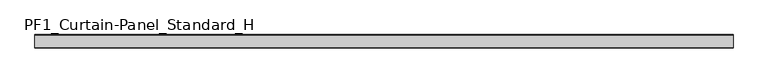
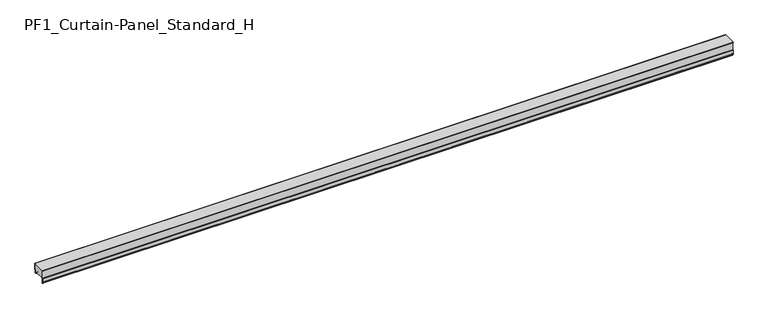
"""IFC4 building model written with IfcOpenShell, lengths in millimetres: plate geometry, PF1_Curtain-Panel_Standard_H."""

from ifc_helpers import new_model, si_unit, point, frame, frame_2d, origin, place, context, project, spatial, polyline, circle_curve, trimmed, segment, composite_curve, outline, extrude, source, transform, mapped, element, save


def pf1_curtain_panel_standard_h_a35a4b40(model_context):
    return source(origin(), model_context, "Body", "SweptSolid", [
        extrude(outline(composite_curve([segment(polyline([(-15.878557, 0.0), (-20.0, 0.0), (-20.0, 0.8), (-15.878557, 0.8)]), True, "CONTINUOUS"), segment(trimmed(circle_curve(frame_2d((-15.878557, -2.0)), 2.8), [point((-15.878557, 0.8))], [point((-13.1503208, -1.370137))], False, "CARTESIAN"), True, "CONTINUOUS"), segment(polyline([(-13.1503208, -1.370137), (-11.728236, -7.529863)]), True, "CONTINUOUS"), segment(trimmed(circle_curve(frame_2d((-9.0, -6.9)), 2.8), [point((-11.728236, -7.529863))], [point((-6.2, -6.9))], True, "CARTESIAN"), True, "CONTINUOUS"), segment(polyline([(-6.2, -6.9), (-6.2, 8.6)]), True, "CONTINUOUS"), segment(trimmed(circle_curve(frame_2d((-3.4, 8.6)), 2.8), [point((-6.2, 8.6))], [point((-3.4, 11.4))], False, "CARTESIAN"), True, "CONTINUOUS"), segment(polyline([(-3.4, 11.4), (-2.0, 11.4)]), True, "CONTINUOUS"), segment(trimmed(circle_curve(frame_2d((-2.0, 12.6)), 1.2), [point((-2.0, 11.4))], [point((-0.8, 12.6))], True, "CARTESIAN"), True, "CONTINUOUS"), segment(polyline([(-0.8, 12.6), (-0.8, 50.0), (0.0, 50.0), (0.0, 12.6)]), True, "CONTINUOUS"), segment(trimmed(circle_curve(frame_2d((-2.0, 12.6)), 2.0), [point((0.0, 12.6))], [point((-2.0, 10.6))], False, "CARTESIAN"), True, "CONTINUOUS"), segment(polyline([(-2.0, 10.6), (-3.4, 10.6)]), True, "CONTINUOUS"), segment(trimmed(circle_curve(frame_2d((-3.4, 8.6)), 2.0), [point((-3.4, 10.6))], [point((-5.4, 8.6))], True, "CARTESIAN"), True, "CONTINUOUS"), segment(polyline([(-5.4, 8.6), (-5.4, -6.9)]), True, "CONTINUOUS"), segment(trimmed(circle_curve(frame_2d((-9.0, -6.9)), 3.6), [point((-5.4, -6.9))], [point((-12.5077322, -7.7098239))], False, "CARTESIAN"), True, "CONTINUOUS"), segment(polyline([(-12.5077322, -7.7098239), (-13.929817, -1.5500979)]), True, "CONTINUOUS"), segment(trimmed(circle_curve(frame_2d((-15.878557, -2.0)), 2.0), [point((-13.929817, -1.5500979))], [point((-15.878557, 0.0))], True, "CARTESIAN"), True, "CONTINUOUS")], self_intersect=False)), frame((-2100.0, 0.0, 0.0), z_axis=(1.0, 0.0, 0.0), x_axis=(0.0, 1.0, 0.0)), (0.0, 0.0, 1.0), 4200.0),
        extrude(outline(composite_curve([segment(polyline([(-70.0, 0.0), (-73.5, 0.0)]), True, "CONTINUOUS"), segment(trimmed(circle_curve(frame_2d((-73.5, -2.0)), 2.0), [point((-73.5, 0.0))], [point((-75.5, -2.0))], True, "CARTESIAN"), True, "CONTINUOUS"), segment(polyline([(-75.5, -2.0), (-75.5, -33.0)]), True, "CONTINUOUS"), segment(trimmed(circle_curve(frame_2d((-76.5, -33.0)), 1.0), [point((-75.5, -33.0))], [point((-77.5, -33.0))], False, "CARTESIAN"), True, "CONTINUOUS"), segment(polyline([(-77.5, -33.0), (-77.5, -26.9)]), True, "CONTINUOUS"), segment(trimmed(circle_curve(frame_2d((-78.4, -26.9)), 0.9), [point((-77.5, -26.9))], [point((-78.4, -26.0))], True, "CARTESIAN"), True, "CONTINUOUS"), segment(trimmed(circle_curve(frame_2d((-78.4, -24.4)), 1.6), [point((-78.4, -26.0))], [point((-80.0, -24.4))], False, "CARTESIAN"), True, "CONTINUOUS"), segment(polyline([(-80.0, -24.4), (-80.0, -0.9952559), (-78.5, 1.6028217), (-78.5, 46.4028193), (-80.0, 49.0008969), (-80.0, 50.0), (-79.2, 50.0), (-79.2, 49.2152562), (-77.7, 46.6171786), (-77.7, 1.3884624), (-79.2, -1.2096152), (-79.2, -24.4)]), True, "CONTINUOUS"), segment(trimmed(circle_curve(frame_2d((-78.4, -24.4)), 0.8), [point((-79.2, -24.4))], [point((-78.4, -25.2))], True, "CARTESIAN"), True, "CONTINUOUS"), segment(trimmed(circle_curve(frame_2d((-78.6133333, -26.9)), 1.7133333), [point((-78.4, -25.2))], [point((-76.9, -26.9))], False, "CARTESIAN"), True, "CONTINUOUS"), segment(polyline([(-76.9, -26.9), (-76.9, -32.8700312)]), True, "CONTINUOUS"), segment(trimmed(circle_curve(frame_2d((-76.6, -32.8700312)), 0.3), [point((-76.9, -32.8700312))], [point((-76.3, -32.8700312))], True, "CARTESIAN"), True, "CONTINUOUS"), segment(polyline([(-76.3, -32.8700312), (-76.3, -2.0)]), True, "CONTINUOUS"), segment(trimmed(circle_curve(frame_2d((-73.5, -2.0)), 2.8), [point((-76.3, -2.0))], [point((-73.5, 0.8))], False, "CARTESIAN"), True, "CONTINUOUS"), segment(polyline([(-73.5, 0.8), (-70.0, 0.8), (-70.0, 0.0)]), True, "CONTINUOUS")], self_intersect=False)), frame((-2100.0, 0.0, 0.0), z_axis=(1.0, 0.0, 0.0), x_axis=(0.0, 1.0, 0.0)), (0.0, 0.0, 1.0), 4200.0),
        extrude(outline(composite_curve([segment(polyline([(-70.0, 0.8), (-73.5, 0.8)]), True, "CONTINUOUS"), segment(trimmed(circle_curve(frame_2d((-73.5, -2.0)), 2.8), [point((-73.5, 0.8))], [point((-76.3, -2.0))], True, "CARTESIAN"), True, "CONTINUOUS"), segment(polyline([(-76.3, -2.0), (-76.3, -32.8700312)]), True, "CONTINUOUS"), segment(trimmed(circle_curve(frame_2d((-76.6, -32.8700312)), 0.3), [point((-76.3, -32.8700312))], [point((-76.9, -32.8700312))], False, "CARTESIAN"), True, "CONTINUOUS"), segment(polyline([(-76.9, -32.8700312), (-76.9, -26.9)]), True, "CONTINUOUS"), segment(trimmed(circle_curve(frame_2d((-78.6133333, -26.9)), 1.7133333), [point((-76.9, -26.9))], [point((-78.4, -25.2))], True, "CARTESIAN"), True, "CONTINUOUS"), segment(trimmed(circle_curve(frame_2d((-78.4, -24.4)), 0.8), [point((-78.4, -25.2))], [point((-79.2, -24.4))], False, "CARTESIAN"), True, "CONTINUOUS"), segment(polyline([(-79.2, -24.4), (-79.2, -1.2096152), (-77.7, 1.3884624), (-77.7, 46.6171786), (-79.2, 49.2152562), (-79.2, 50.0), (-0.8, 50.0), (-0.8, 12.6)]), True, "CONTINUOUS"), segment(trimmed(circle_curve(frame_2d((-2.0, 12.6)), 1.2), [point((-0.8, 12.6))], [point((-2.0, 11.4))], False, "CARTESIAN"), True, "CONTINUOUS"), segment(polyline([(-2.0, 11.4), (-3.4, 11.4)]), True, "CONTINUOUS"), segment(trimmed(circle_curve(frame_2d((-3.4, 8.6)), 2.8), [point((-3.4, 11.4))], [point((-6.2, 8.6))], True, "CARTESIAN"), True, "CONTINUOUS"), segment(polyline([(-6.2, 8.6), (-6.2, -6.9)]), True, "CONTINUOUS"), segment(trimmed(circle_curve(frame_2d((-9.0, -6.9)), 2.8), [point((-6.2, -6.9))], [point((-11.7282362, -7.529863))], False, "CARTESIAN"), True, "CONTINUOUS"), segment(polyline([(-11.7282362, -7.529863), (-13.1503208, -1.370137)]), True, "CONTINUOUS"), segment(trimmed(circle_curve(frame_2d((-15.878557, -2.0)), 2.8), [point((-13.1503208, -1.370137))], [point((-15.878557, 0.8))], True, "CARTESIAN"), True, "CONTINUOUS"), segment(polyline([(-15.878557, 0.8), (-20.0, 0.8), (-20.0, 0.0), (-70.0, 0.0), (-70.0, 0.8)]), True, "CONTINUOUS")], self_intersect=False)), frame((-2100.0, 0.0, 0.0), z_axis=(1.0, 0.0, 0.0), x_axis=(0.0, 1.0, 0.0)), (0.0, 0.0, 1.0), 4200.0),
    ])


if __name__ == "__main__":
    model = new_model("IFC4")
    model_context = context("Model", 3, world=origin())
    ifc_project = project(units=[si_unit("LENGTHUNIT", "METRE", prefix="MILLI")], contexts=[model_context])
    site = spatial("IfcSite", under=ifc_project)
    building = spatial("IfcBuilding", under=site)
    placement = place(None, origin())
    pf1_curtain_panel_standard_h_shape = pf1_curtain_panel_standard_h_a35a4b40(model_context)
    element("IfcPlate", 1, ObjectType="PF1_Curtain-Panel_Standard_H", at=placement, inside=building, context=model_context, shape_type="MappedRepresentation", body=[
        mapped(pf1_curtain_panel_standard_h_shape, transform((0.0, 0.0, 0.0), x_axis=(1.0, 0.0, 0.0), y_axis=(0.0, 1.0, 0.0), z_axis=(0.0, 0.0, 1.0))),
    ])
    save(model, "model.ifc")
